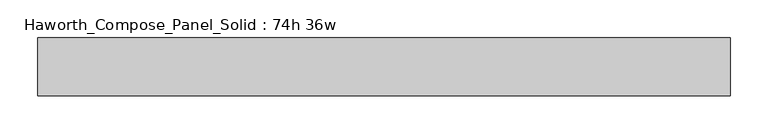
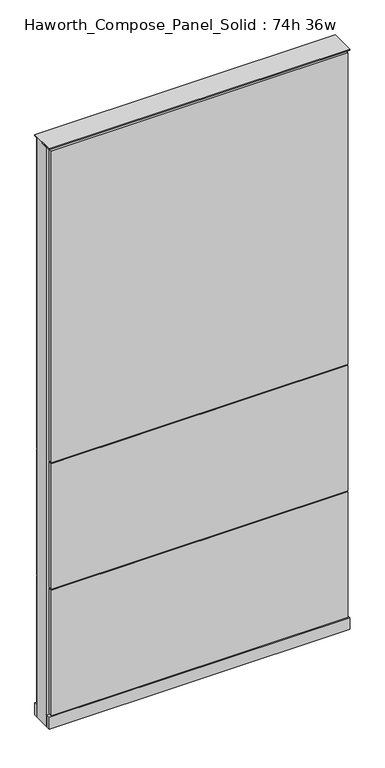
"""IFC4 building model written with IfcOpenShell, lengths in millimetres: furniture geometry, Haworth_Compose_Panel_Solid : 74h 36w."""

from ifc_helpers import new_model, si_unit, point, frame, frame_2d, origin, origin_with_axes, place, context, project, spatial, polyline, circle_curve, trimmed, segment, composite_curve, outline, extrude, source, transform, mapped, element, save


def haworth_compose_panel_solid_74h_36w_2233f976(model_context):
    return source(origin(), model_context, "Body", "SweptSolid", [
        extrude(outline(composite_curve([segment(trimmed(circle_curve(frame_2d((-378.5597098, 0.0)), 12.7), [point((-391.2597098, 0.0))], [point((-365.8597098, 0.0))], False, "CARTESIAN"), True, "CONTINUOUS"), segment(trimmed(circle_curve(frame_2d((-378.5597098, 0.0)), 12.7), [point((-365.8597098, 0.0))], [point((-391.2597098, 0.0))], False, "CARTESIAN"), True, "CONTINUOUS")], self_intersect=False)), origin_with_axes(), (0.0, 0.0, 1.0), 12.7),
        extrude(outline(composite_curve([segment(trimmed(circle_curve(frame_2d((383.4402902, 0.0)), 12.7), [point((370.7402902, 0.0))], [point((396.1402902, 0.0))], False, "CARTESIAN"), True, "CONTINUOUS"), segment(trimmed(circle_curve(frame_2d((383.4402902, 0.0)), 12.7), [point((396.1402902, 0.0))], [point((370.7402902, 0.0))], False, "CARTESIAN"), True, "CONTINUOUS")], self_intersect=False)), origin_with_axes(), (0.0, 0.0, 1.0), 12.7),
        extrude(outline(polyline([(453.2902902, 38.1), (453.2902902, 25.4), (-448.4097098, 25.4), (-448.4097098, 38.1), (453.2902902, 38.1)])), frame((0.0, 0.0, 866.775), z_axis=(0.0, 0.0, 1.0), x_axis=(1.0, 0.0, 0.0)), (0.0, 0.0, 1.0), 1000.125),
        extrude(outline(polyline([(453.2902902, 38.1), (453.2902902, 25.4), (-448.4097098, 25.4), (-448.4097098, 38.1), (453.2902902, 38.1)])), frame((0.0, 0.0, 460.375), z_axis=(0.0, 0.0, 1.0), x_axis=(1.0, 0.0, 0.0)), (0.0, 0.0, 1.0), 403.225),
        extrude(outline(polyline([(453.2902902, 38.1), (453.2902902, 25.4), (-448.4097098, 25.4), (-448.4097098, 38.1), (453.2902902, 38.1)])), frame((0.0, 0.0, 53.975), z_axis=(0.0, 0.0, 1.0), x_axis=(1.0, 0.0, 0.0)), (0.0, 0.0, 1.0), 403.225),
        extrude(outline(polyline([(453.2902902, -38.1), (-448.4097098, -38.1), (-448.4097098, -25.4), (453.2902902, -25.4), (453.2902902, -38.1)])), frame((0.0, 0.0, 866.775), z_axis=(0.0, 0.0, 1.0), x_axis=(1.0, 0.0, 0.0)), (0.0, 0.0, 1.0), 1000.125),
        extrude(outline(polyline([(453.2902902, -38.1), (-448.4097098, -38.1), (-448.4097098, -25.4), (453.2902902, -25.4), (453.2902902, -38.1)])), frame((0.0, 0.0, 460.375), z_axis=(0.0, 0.0, 1.0), x_axis=(1.0, 0.0, 0.0)), (0.0, 0.0, 1.0), 403.225),
        extrude(outline(polyline([(453.2902902, -38.1), (-448.4097098, -38.1), (-448.4097098, -25.4), (453.2902902, -25.4), (453.2902902, -38.1)])), frame((0.0, 0.0, 53.975), z_axis=(0.0, 0.0, 1.0), x_axis=(1.0, 0.0, 0.0)), (0.0, 0.0, 1.0), 403.225),
        extrude(outline(polyline([(459.6402902, 25.4), (459.6402902, -25.4), (-454.7597098, -25.4), (-454.7597098, 25.4), (459.6402902, 25.4)])), frame((0.0, 0.0, 12.7), z_axis=(0.0, 0.0, 1.0), x_axis=(1.0, 0.0, 0.0)), (0.0, 0.0, 1.0), 1860.55),
        extrude(outline(polyline([(-454.7597098, -38.1), (-454.7597098, 38.1), (459.6402902, 38.1), (459.6402902, -38.1), (-454.7597098, -38.1)])), frame((0.0, 0.0, 12.7), z_axis=(0.0, 0.0, 1.0), x_axis=(1.0, 0.0, 0.0)), (0.0, 0.0, 1.0), 38.1),
        extrude(outline(polyline([(-454.7597098, -38.1), (-454.7597098, 38.1), (459.6402902, 38.1), (459.6402902, -38.1), (-454.7597098, -38.1)])), frame((0.0, 0.0, 1873.25), z_axis=(0.0, 0.0, 1.0), x_axis=(1.0, 0.0, 0.0)), (0.0, 0.0, 1.0), 3.175),
    ])


if __name__ == "__main__":
    model = new_model("IFC4")
    model_context = context("Model", 3, world=origin())
    ifc_project = project(units=[si_unit("LENGTHUNIT", "METRE", prefix="MILLI")], contexts=[model_context])
    site = spatial("IfcSite", under=ifc_project)
    building = spatial("IfcBuilding", under=site)
    placement = place(None, origin())
    haworth_compose_panel_solid_74h_36w_shape = haworth_compose_panel_solid_74h_36w_2233f976(model_context)
    element("IfcFurniture", 1, ObjectType="Haworth_Compose_Panel_Solid : 74h 36w", at=placement, inside=building, context=model_context, shape_type="MappedRepresentation", body=[
        mapped(haworth_compose_panel_solid_74h_36w_shape, transform((0.0, 0.0, 0.0), x_axis=(1.0, 0.0, 0.0), y_axis=(0.0, 1.0, 0.0), z_axis=(0.0, 0.0, 1.0))),
    ])
    save(model, "model.ifc")
